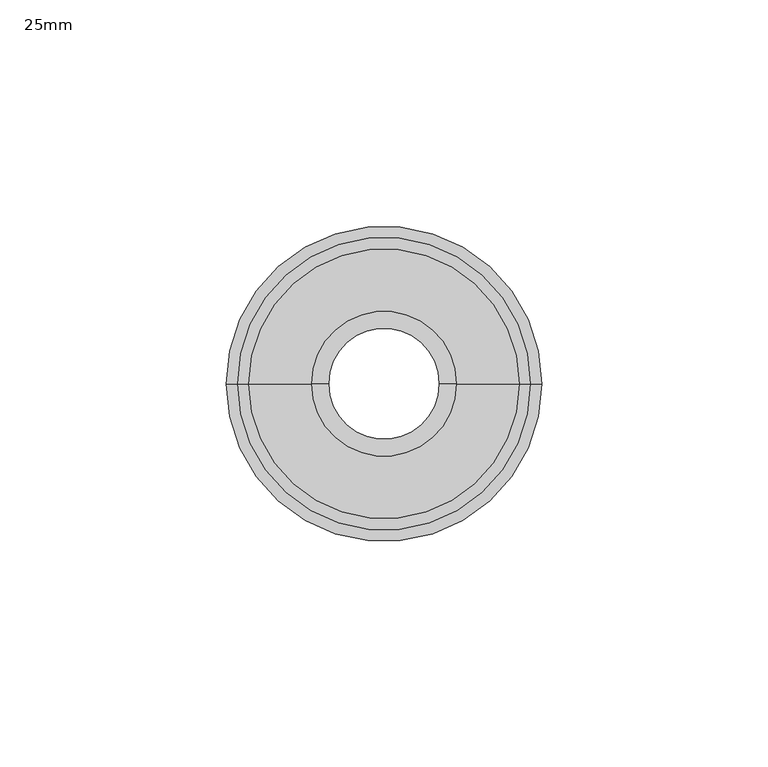
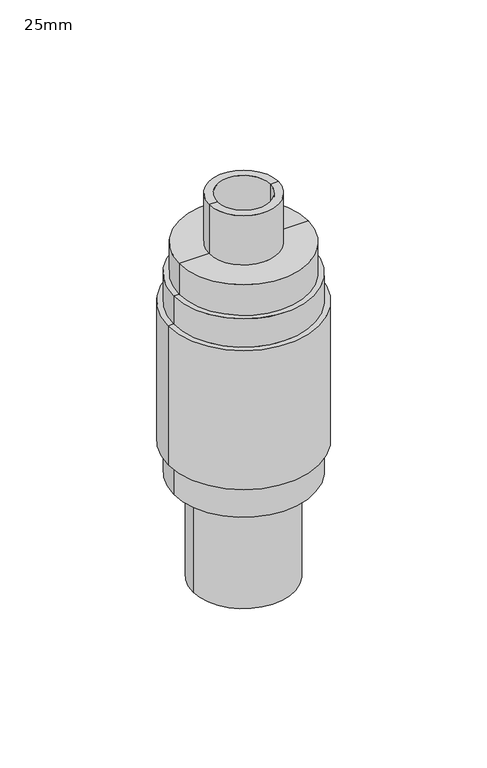
"""IFC4 building model written with IfcOpenShell, lengths in millimetres: proxy geometry, 25mm."""

from ifc_helpers import new_model, si_unit, frame, origin, place, context, project, spatial, polyline, circle_curve, source, transform, mapped, element, save
from ifc_brep_helpers import plane_surface, cylinder_surface, revolved_surface, advanced_brep


def proxy_25mm_0d264ca6(model_context):
    return source(origin(), model_context, "Body", "AdvancedBrep", [
        advanced_brep(
        [(23.3404657, 0.0, 32.0), (-23.3404657, 0.0, 32.0), (-32.3404756, 0.0, 32.0), (32.3404756, 0.0, 32.0), (23.3404657, 0.0, 38.3485942), (-23.3404657, 0.0, 38.3485942), (28.7604621, 0.0, 38.3485942), (-28.7604621, 0.0, 38.3485942), (28.7604621, 0.0, 78.9999872), (-28.7604621, 0.0, 78.9999872), (18.3710751, 0.0, 78.9999872), (-18.3710751, 0.0, 78.9999872), (18.3710751, 0.0, 135.9999945), (-18.3710751, 0.0, 135.9999945), (12.25, 0.0, 135.9999945), (-12.25, 0.0, 135.9999945), (12.25, 0.0, 167.9999964), (-12.25, 0.0, 167.9999964), (16.0, 0.0, 167.9999964), (-16.0, 0.0, 167.9999964), (16.0, 0.0, 143.9999994), (-16.0, 0.0, 143.9999994), (29.840456, 0.0, 143.9999994), (-29.840456, 0.0, 143.9999994), (29.840456, 0.0, 128.9999912), (-29.840456, 0.0, 128.9999912), (32.3404756, 0.0, 128.9999912), (-32.3404756, 0.0, 128.9999912), (32.3404756, 0.0, 115.249991), (-32.3404756, 0.0, 115.249991), (34.8404528, 0.0, 115.249991), (-34.8404528, 0.0, 115.249991), (34.8404528, 0.0, 47.2499884), (-34.8404528, 0.0, 47.2499884), (32.3404756, 0.0, 47.2499884), (-32.3404756, 0.0, 47.2499884)],
        [
            (0, 1, circle_curve(frame((0.0, 0.0, 32.0), z_axis=(0.0, 0.0, 1.0), x_axis=(-1.0, 0.0, 0.0)), 23.3404657)),
            (1, 2),
            (2, 3, circle_curve(frame((0.0, 0.0, 32.0), z_axis=(0.0, 0.0, -1.0), x_axis=(-1.0, 0.0, 0.0)), 32.3404756)),
            (3, 0),
            (1, 0, circle_curve(frame((0.0, 0.0, 32.0), z_axis=(0.0, 0.0, 1.0), x_axis=(-1.0, 0.0, 0.0)), 23.3404657)),
            (3, 2, circle_curve(frame((0.0, 0.0, 32.0), z_axis=(0.0, 0.0, -1.0), x_axis=(-1.0, 0.0, 0.0)), 32.3404756)),
            (4, 5, circle_curve(frame((0.0, 0.0, 38.3485942), z_axis=(0.0, 0.0, 1.0), x_axis=(-1.0, 0.0, 0.0)), 23.3404657)),
            (5, 1),
            (0, 4),
            (5, 4, circle_curve(frame((0.0, 0.0, 38.3485942), z_axis=(0.0, 0.0, 1.0), x_axis=(-1.0, 0.0, 0.0)), 23.3404657)),
            (6, 7, circle_curve(frame((0.0, 0.0, 38.3485942), z_axis=(0.0, 0.0, 1.0), x_axis=(-1.0, 0.0, 0.0)), 28.7604621)),
            (7, 5),
            (4, 6),
            (7, 6, circle_curve(frame((0.0, 0.0, 38.3485942), z_axis=(0.0, 0.0, 1.0), x_axis=(-1.0, 0.0, 0.0)), 28.7604621)),
            (8, 9, circle_curve(frame((0.0, 0.0, 78.9999872), z_axis=(0.0, 0.0, 1.0), x_axis=(-1.0, 0.0, 0.0)), 28.7604621)),
            (9, 7),
            (6, 8),
            (9, 8, circle_curve(frame((0.0, 0.0, 78.9999872), z_axis=(0.0, 0.0, 1.0), x_axis=(-1.0, 0.0, 0.0)), 28.7604621)),
            (10, 11, circle_curve(frame((0.0, 0.0, 78.9999872), z_axis=(0.0, 0.0, 1.0), x_axis=(-1.0, 0.0, 0.0)), 18.3710751)),
            (11, 9),
            (8, 10),
            (11, 10, circle_curve(frame((0.0, 0.0, 78.9999872), z_axis=(0.0, 0.0, 1.0), x_axis=(-1.0, 0.0, 0.0)), 18.3710751)),
            (12, 13, circle_curve(frame((0.0, 0.0, 135.9999945), z_axis=(0.0, 0.0, 1.0), x_axis=(-1.0, 0.0, 0.0)), 18.3710751)),
            (13, 11),
            (10, 12),
            (13, 12, circle_curve(frame((0.0, 0.0, 135.9999945), z_axis=(0.0, 0.0, 1.0), x_axis=(-1.0, 0.0, 0.0)), 18.3710751)),
            (14, 15, circle_curve(frame((0.0, 0.0, 135.9999945), z_axis=(0.0, 0.0, 1.0), x_axis=(-1.0, 0.0, 0.0)), 12.25)),
            (15, 13),
            (12, 14),
            (15, 14, circle_curve(frame((0.0, 0.0, 135.9999945), z_axis=(0.0, 0.0, 1.0), x_axis=(-1.0, 0.0, 0.0)), 12.25)),
            (16, 17, circle_curve(frame((0.0, 0.0, 167.9999964), z_axis=(0.0, 0.0, 1.0), x_axis=(-1.0, 0.0, 0.0)), 12.25)),
            (17, 15),
            (14, 16),
            (17, 16, circle_curve(frame((0.0, 0.0, 167.9999964), z_axis=(0.0, 0.0, 1.0), x_axis=(-1.0, 0.0, 0.0)), 12.25)),
            (18, 19, circle_curve(frame((0.0, 0.0, 167.9999964), z_axis=(0.0, 0.0, 1.0), x_axis=(-1.0, 0.0, 0.0)), 16.0)),
            (19, 17),
            (16, 18),
            (19, 18, circle_curve(frame((0.0, 0.0, 167.9999964), z_axis=(0.0, 0.0, 1.0), x_axis=(-1.0, 0.0, 0.0)), 16.0)),
            (20, 21, circle_curve(frame((0.0, 0.0, 143.9999994), z_axis=(0.0, 0.0, 1.0), x_axis=(-1.0, 0.0, 0.0)), 16.0)),
            (21, 19),
            (18, 20),
            (21, 20, circle_curve(frame((0.0, 0.0, 143.9999994), z_axis=(0.0, 0.0, 1.0), x_axis=(-1.0, 0.0, 0.0)), 16.0)),
            (22, 23, circle_curve(frame((0.0, 0.0, 143.9999994), z_axis=(0.0, 0.0, 1.0), x_axis=(-1.0, 0.0, 0.0)), 29.840456)),
            (23, 21),
            (20, 22),
            (23, 22, circle_curve(frame((0.0, 0.0, 143.9999994), z_axis=(0.0, 0.0, 1.0), x_axis=(-1.0, 0.0, 0.0)), 29.840456)),
            (24, 25, circle_curve(frame((0.0, 0.0, 128.9999912), z_axis=(0.0, 0.0, 1.0), x_axis=(-1.0, 0.0, 0.0)), 29.840456)),
            (25, 23),
            (22, 24),
            (25, 24, circle_curve(frame((0.0, 0.0, 128.9999912), z_axis=(0.0, 0.0, 1.0), x_axis=(-1.0, 0.0, 0.0)), 29.840456)),
            (26, 27, circle_curve(frame((0.0, 0.0, 128.9999912), z_axis=(0.0, 0.0, 1.0), x_axis=(-1.0, 0.0, 0.0)), 32.3404756)),
            (27, 25),
            (24, 26),
            (27, 26, circle_curve(frame((0.0, 0.0, 128.9999912), z_axis=(0.0, 0.0, 1.0), x_axis=(-1.0, 0.0, 0.0)), 32.3404756)),
            (28, 29, circle_curve(frame((0.0, 0.0, 115.249991), z_axis=(0.0, 0.0, 1.0), x_axis=(-1.0, 0.0, 0.0)), 32.3404756)),
            (29, 27),
            (26, 28),
            (29, 28, circle_curve(frame((0.0, 0.0, 115.249991), z_axis=(0.0, 0.0, 1.0), x_axis=(-1.0, 0.0, 0.0)), 32.3404756)),
            (30, 31, circle_curve(frame((0.0, 0.0, 115.249991), z_axis=(0.0, 0.0, 1.0), x_axis=(-1.0, 0.0, 0.0)), 34.8404528)),
            (31, 29),
            (28, 30),
            (31, 30, circle_curve(frame((0.0, 0.0, 115.249991), z_axis=(0.0, 0.0, 1.0), x_axis=(-1.0, 0.0, 0.0)), 34.8404528)),
            (32, 33, circle_curve(frame((0.0, 0.0, 47.2499884), z_axis=(0.0, 0.0, 1.0), x_axis=(-1.0, 0.0, 0.0)), 34.8404528)),
            (33, 31),
            (30, 32),
            (33, 32, circle_curve(frame((0.0, 0.0, 47.2499884), z_axis=(0.0, 0.0, 1.0), x_axis=(-1.0, 0.0, 0.0)), 34.8404528)),
            (34, 35, circle_curve(frame((0.0, 0.0, 47.2499884), z_axis=(0.0, 0.0, 1.0), x_axis=(-1.0, 0.0, 0.0)), 32.3404756)),
            (35, 33),
            (32, 34),
            (35, 34, circle_curve(frame((0.0, 0.0, 47.2499884), z_axis=(0.0, 0.0, 1.0), x_axis=(-1.0, 0.0, 0.0)), 32.3404756)),
            (2, 35),
            (34, 3),
        ],
        [
            plane_surface(frame((0.0, 0.0, 32.0), z_axis=(0.0, 0.0, -1.0), x_axis=(-1.0, 0.0, 0.0))),
            revolved_surface(polyline([(-23.3404657, 0.0, 32.0), (-23.3404657, 0.0, 38.34859420000021)]), (0.0, 0.0, 2609.0581012), (0.0, 0.0, -1.0)),
            plane_surface(frame((0.0, 0.0, 38.3485942), z_axis=(0.0, 0.0, 1.0), x_axis=(-1.0, 0.0, 0.0))),
            revolved_surface(polyline([(-28.7604621, 0.0, 38.34859420000021), (-28.7604621, 0.0, 78.99998719999985)]), (0.0, 0.0, 2609.0581012), (0.0, 0.0, -1.0)),
            plane_surface(frame((0.0, 0.0, 78.9999872), z_axis=(0.0, 0.0, -1.0), x_axis=(-1.0, 0.0, 0.0))),
            revolved_surface(polyline([(-18.3710751, 0.0, 78.99998719999985), (-18.3710751, 0.0, 135.99999449999996)]), (0.0, 0.0, 2609.0581012), (0.0, 0.0, -1.0)),
            plane_surface(frame((0.0, 0.0, 135.9999945), z_axis=(0.0, 0.0, -1.0), x_axis=(-1.0, 0.0, 0.0))),
            revolved_surface(polyline([(-12.25, 0.0, 135.99999449999996), (-12.25, 0.0, 167.99999639999987)]), (0.0, 0.0, 2609.0581012), (0.0, 0.0, -1.0)),
            plane_surface(frame((0.0, 0.0, 167.9999964), z_axis=(0.0, 0.0, 1.0), x_axis=(-1.0, 0.0, 0.0))),
            cylinder_surface(frame((0.0, 0.0, 2609.0581012), z_axis=(0.0, 0.0, -1.0), x_axis=(-1.0, 0.0, 0.0)), 16.0),
            plane_surface(frame((0.0, 0.0, 143.9999994), z_axis=(0.0, 0.0, 1.0), x_axis=(-1.0, 0.0, 0.0))),
            cylinder_surface(frame((0.0, 0.0, 2609.0581012), z_axis=(0.0, 0.0, -1.0), x_axis=(-1.0, 0.0, 0.0)), 29.840456),
            plane_surface(frame((0.0, 0.0, 128.9999912), z_axis=(0.0, 0.0, 1.0), x_axis=(-1.0, 0.0, 0.0))),
            cylinder_surface(frame((0.0, 0.0, 2609.0581012), z_axis=(0.0, 0.0, -1.0), x_axis=(-1.0, 0.0, 0.0)), 32.3404756),
            plane_surface(frame((0.0, 0.0, 115.249991), z_axis=(0.0, 0.0, 1.0), x_axis=(-1.0, 0.0, 0.0))),
            cylinder_surface(frame((0.0, 0.0, 2609.0581012), z_axis=(0.0, 0.0, -1.0), x_axis=(-1.0, 0.0, 0.0)), 34.8404528),
            plane_surface(frame((0.0, 0.0, 47.2499884), z_axis=(0.0, 0.0, -1.0), x_axis=(-1.0, 0.0, 0.0))),
        ],
        [
            (0, [[1, 2, 3, 4]]),
            (0, [[5, -4, 6, -2]]),
            (1, [[7, 8, -1, 9]]),
            (1, [[10, -9, -5, -8]]),
            (2, [[11, 12, -7, 13]]),
            (2, [[14, -13, -10, -12]]),
            (3, [[15, 16, -11, 17]]),
            (3, [[18, -17, -14, -16]]),
            (4, [[19, 20, -15, 21]]),
            (4, [[22, -21, -18, -20]]),
            (5, [[23, 24, -19, 25]]),
            (5, [[26, -25, -22, -24]]),
            (6, [[27, 28, -23, 29]]),
            (6, [[30, -29, -26, -28]]),
            (7, [[31, 32, -27, 33]]),
            (7, [[34, -33, -30, -32]]),
            (8, [[35, 36, -31, 37]]),
            (8, [[38, -37, -34, -36]]),
            (9, [[39, 40, -35, 41]]),
            (9, [[42, -41, -38, -40]]),
            (10, [[43, 44, -39, 45]]),
            (10, [[46, -45, -42, -44]]),
            (11, [[47, 48, -43, 49]]),
            (11, [[50, -49, -46, -48]]),
            (12, [[51, 52, -47, 53]]),
            (12, [[54, -53, -50, -52]]),
            (13, [[55, 56, -51, 57]]),
            (13, [[58, -57, -54, -56]]),
            (14, [[59, 60, -55, 61]]),
            (14, [[62, -61, -58, -60]]),
            (15, [[63, 64, -59, 65]]),
            (15, [[66, -65, -62, -64]]),
            (16, [[67, 68, -63, 69]]),
            (16, [[70, -69, -66, -68]]),
            (13, [[-3, 71, -67, 72]]),
            (13, [[-6, -72, -70, -71]]),
        ],
    ),
        advanced_brep(
        [(16.0, 0.0, -19.0000036), (-16.0, 0.0, -19.0000036), (-23.3404657, 0.0, -19.0000036), (23.3404657, 0.0, -19.0000036), (16.0, 0.0, 98.9885824), (-16.0, 0.0, 98.9885824), (18.3710751, 0.0, 98.9885824), (-18.3710751, 0.0, 98.9885824), (18.3710751, 0.0, 43.9999915), (-18.3710751, 0.0, 43.9999915), (28.7604621, 0.0, 43.9999915), (-28.7604621, 0.0, 43.9999915), (28.7604621, 0.0, 38.9999946), (-28.7604621, 0.0, 38.9999946), (23.3404657, 0.0, 38.9999946), (-23.3404657, 0.0, 38.9999946)],
        [
            (0, 1, circle_curve(frame((0.0, 0.0, -19.0000036), z_axis=(0.0, 0.0, 1.0), x_axis=(-1.0, 0.0, 0.0)), 16.0)),
            (1, 2),
            (2, 3, circle_curve(frame((0.0, 0.0, -19.0000036), z_axis=(0.0, 0.0, -1.0), x_axis=(-1.0, 0.0, 0.0)), 23.3404657)),
            (3, 0),
            (1, 0, circle_curve(frame((0.0, 0.0, -19.0000036), z_axis=(0.0, 0.0, 1.0), x_axis=(-1.0, 0.0, 0.0)), 16.0)),
            (3, 2, circle_curve(frame((0.0, 0.0, -19.0000036), z_axis=(0.0, 0.0, -1.0), x_axis=(-1.0, 0.0, 0.0)), 23.3404657)),
            (4, 5, circle_curve(frame((0.0, 0.0, 98.9885824), z_axis=(0.0, 0.0, 1.0), x_axis=(-1.0, 0.0, 0.0)), 16.0)),
            (5, 1),
            (0, 4),
            (5, 4, circle_curve(frame((0.0, 0.0, 98.9885824), z_axis=(0.0, 0.0, 1.0), x_axis=(-1.0, 0.0, 0.0)), 16.0)),
            (6, 7, circle_curve(frame((0.0, 0.0, 98.9885824), z_axis=(0.0, 0.0, 1.0), x_axis=(-1.0, 0.0, 0.0)), 18.3710751)),
            (7, 5),
            (4, 6),
            (7, 6, circle_curve(frame((0.0, 0.0, 98.9885824), z_axis=(0.0, 0.0, 1.0), x_axis=(-1.0, 0.0, 0.0)), 18.3710751)),
            (8, 9, circle_curve(frame((0.0, 0.0, 43.9999915), z_axis=(0.0, 0.0, 1.0), x_axis=(-1.0, 0.0, 0.0)), 18.3710751)),
            (9, 7),
            (6, 8),
            (9, 8, circle_curve(frame((0.0, 0.0, 43.9999915), z_axis=(0.0, 0.0, 1.0), x_axis=(-1.0, 0.0, 0.0)), 18.3710751)),
            (10, 11, circle_curve(frame((0.0, 0.0, 43.9999915), z_axis=(0.0, 0.0, 1.0), x_axis=(-1.0, 0.0, 0.0)), 28.7604621)),
            (11, 9),
            (8, 10),
            (11, 10, circle_curve(frame((0.0, 0.0, 43.9999915), z_axis=(0.0, 0.0, 1.0), x_axis=(-1.0, 0.0, 0.0)), 28.7604621)),
            (12, 13, circle_curve(frame((0.0, 0.0, 38.9999946), z_axis=(0.0, 0.0, 1.0), x_axis=(-1.0, 0.0, 0.0)), 28.7604621)),
            (13, 11),
            (10, 12),
            (13, 12, circle_curve(frame((0.0, 0.0, 38.9999946), z_axis=(0.0, 0.0, 1.0), x_axis=(-1.0, 0.0, 0.0)), 28.7604621)),
            (14, 15, circle_curve(frame((0.0, 0.0, 38.9999946), z_axis=(0.0, 0.0, 1.0), x_axis=(-1.0, 0.0, 0.0)), 23.3404657)),
            (15, 13),
            (12, 14),
            (15, 14, circle_curve(frame((0.0, 0.0, 38.9999946), z_axis=(0.0, 0.0, 1.0), x_axis=(-1.0, 0.0, 0.0)), 23.3404657)),
            (2, 15),
            (14, 3),
        ],
        [
            plane_surface(frame((0.0, 0.0, -19.0000036), z_axis=(0.0, 0.0, -1.0), x_axis=(-1.0, 0.0, 0.0))),
            revolved_surface(polyline([(-16.0, 0.0, -19.000003600000127), (-16.0, 0.0, 98.98858239999981)]), (0.0, 0.0, 2609.0581012), (0.0, 0.0, -1.0)),
            plane_surface(frame((0.0, 0.0, 98.9885824), z_axis=(0.0, 0.0, 1.0), x_axis=(-1.0, 0.0, 0.0))),
            cylinder_surface(frame((0.0, 0.0, 2609.0581012), z_axis=(0.0, 0.0, -1.0), x_axis=(-1.0, 0.0, 0.0)), 18.3710751),
            plane_surface(frame((0.0, 0.0, 43.9999915), z_axis=(0.0, 0.0, 1.0), x_axis=(-1.0, 0.0, 0.0))),
            cylinder_surface(frame((0.0, 0.0, 2609.0581012), z_axis=(0.0, 0.0, -1.0), x_axis=(-1.0, 0.0, 0.0)), 28.7604621),
            plane_surface(frame((0.0, 0.0, 38.9999946), z_axis=(0.0, 0.0, -1.0), x_axis=(-1.0, 0.0, 0.0))),
            cylinder_surface(frame((0.0, 0.0, 2609.0581012), z_axis=(0.0, 0.0, -1.0), x_axis=(-1.0, 0.0, 0.0)), 23.3404657),
        ],
        [
            (0, [[1, 2, 3, 4]]),
            (0, [[5, -4, 6, -2]]),
            (1, [[7, 8, -1, 9]]),
            (1, [[10, -9, -5, -8]]),
            (2, [[11, 12, -7, 13]]),
            (2, [[14, -13, -10, -12]]),
            (3, [[15, 16, -11, 17]]),
            (3, [[18, -17, -14, -16]]),
            (4, [[19, 20, -15, 21]]),
            (4, [[22, -21, -18, -20]]),
            (5, [[23, 24, -19, 25]]),
            (5, [[26, -25, -22, -24]]),
            (6, [[27, 28, -23, 29]]),
            (6, [[30, -29, -26, -28]]),
            (7, [[-3, 31, -27, 32]]),
            (7, [[-6, -32, -30, -31]]),
        ],
    ),
    ])


if __name__ == "__main__":
    model = new_model("IFC4")
    model_context = context("Model", 3, world=origin())
    ifc_project = project(units=[si_unit("LENGTHUNIT", "METRE", prefix="MILLI")], contexts=[model_context])
    site = spatial("IfcSite", under=ifc_project)
    building = spatial("IfcBuilding", under=site)
    placement = place(None, origin())
    proxy_25mm_shape = proxy_25mm_0d264ca6(model_context)
    element("IfcBuildingElementProxy", 1, Name="25mm", ObjectType="25mm", at=placement, inside=building, context=model_context, shape_type="MappedRepresentation", body=[
        mapped(proxy_25mm_shape, transform((0.0, 0.0, 0.0), x_axis=(1.0, 0.0, 0.0), y_axis=(0.0, 1.0, 0.0), z_axis=(0.0, 0.0, 1.0))),
    ])
    save(model, "model.ifc")
